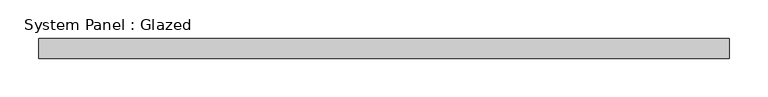
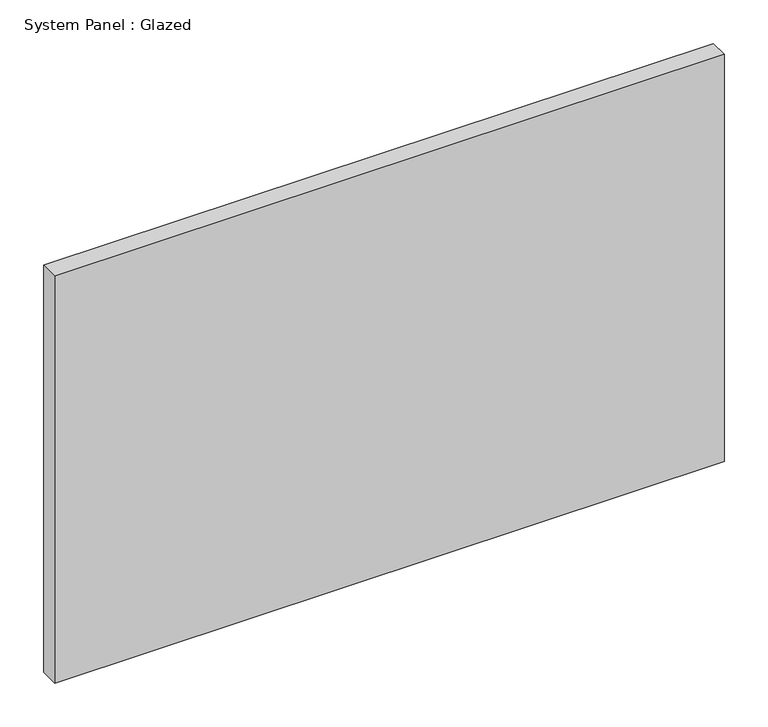
"""IFC4 building model written with IfcOpenShell, lengths in millimetres: plate geometry, System Panel : Glazed."""

from ifc_helpers import new_model, si_unit, origin, origin_with_axes, place, context, project, spatial, polyline, outline, extrude, source, transform, mapped, element, save


def system_panel_glazed_0a2c7f00(model_context):
    return source(origin(), model_context, "Body", "SweptSolid", [
        extrude(outline(polyline([(444.5, -44.45), (-444.5, -44.45), (-444.5, -19.05), (444.5, -19.05), (444.5, -44.45)])), origin_with_axes(), (0.0, 0.0, 1.0), 571.5),
    ])


if __name__ == "__main__":
    model = new_model("IFC4")
    model_context = context("Model", 3, world=origin())
    ifc_project = project(units=[si_unit("LENGTHUNIT", "METRE", prefix="MILLI")], contexts=[model_context])
    site = spatial("IfcSite", under=ifc_project)
    building = spatial("IfcBuilding", under=site)
    placement = place(None, origin())
    system_panel_glazed_shape = system_panel_glazed_0a2c7f00(model_context)
    element("IfcPlate", 1, ObjectType="System Panel : Glazed", at=placement, inside=building, context=model_context, shape_type="MappedRepresentation", body=[
        mapped(system_panel_glazed_shape, transform((0.0, 0.0, 0.0), x_axis=(1.0, 0.0, 0.0), y_axis=(0.0, 1.0, 0.0), z_axis=(0.0, 0.0, 1.0))),
    ])
    save(model, "model.ifc")
